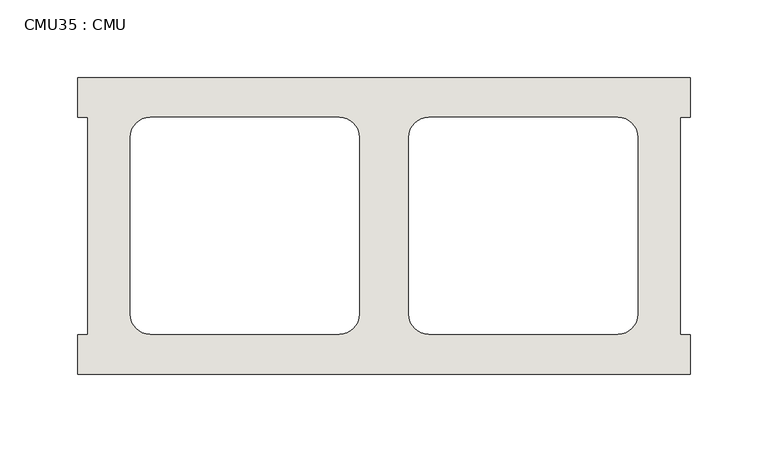
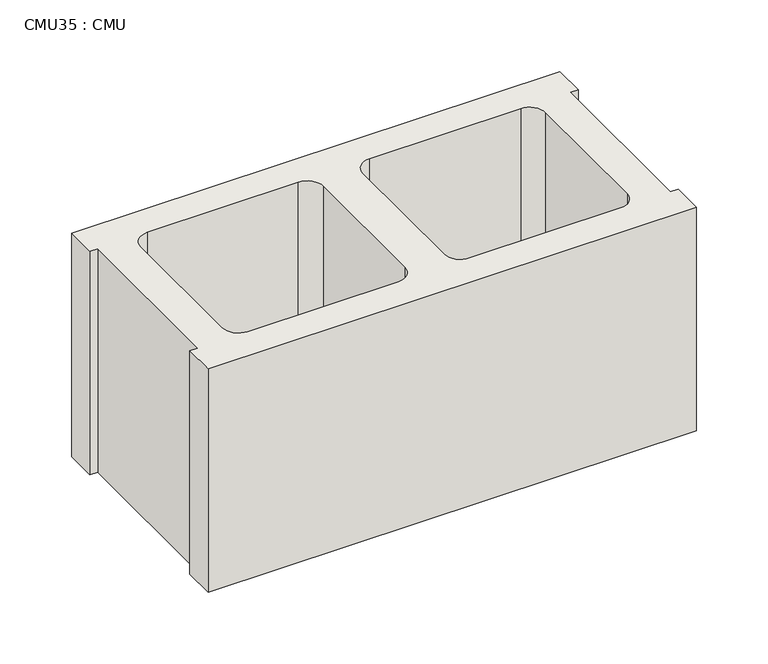
"""IFC4 building model written with IfcOpenShell, lengths in millimetres: wall geometry, CMU35 : CMU."""

from ifc_helpers import new_model, si_unit, point, frame, frame_2d, origin, place, context, project, spatial, polyline, circle_curve, trimmed, segment, composite_curve, outline, extrude, source, transform, mapped, element, save


def cmu35_cmu_49b5be0d(model_context):
    return source(origin(), model_context, "Body", "SweptSolid", [
        extrude(outline(polyline([(-457.4939032, 2871.3003704), (-63.7939032, 2871.3003704), (-63.7939032, 2845.9003704), (-70.1439032, 2845.9003704), (-70.1439032, 2706.2003704), (-63.7939032, 2706.2003704), (-63.7939032, 2680.8003704), (-457.4939032, 2680.8003704), (-457.4939032, 2706.2003704), (-451.1439032, 2706.2003704), (-451.1439032, 2845.9003704), (-457.4939032, 2845.9003704), (-457.4939032, 2871.3003704)]), holes=[composite_curve([segment(polyline([(-289.3259045, 2845.9003704), (-411.0425546, 2845.9003704)]), True, "CONTINUOUS"), segment(trimmed(circle_curve(frame_2d((-411.0425546, 2833.2003704)), 12.7), [point((-411.0425546, 2845.9003704))], [point((-423.7425546, 2833.2003704))], True, "CARTESIAN"), True, "CONTINUOUS"), segment(polyline([(-423.7425546, 2833.2003704), (-423.7425546, 2719.1345307)]), True, "CONTINUOUS"), segment(trimmed(circle_curve(frame_2d((-411.0425546, 2719.1345307)), 12.7), [point((-423.7425546, 2719.1345307))], [point((-411.0425546, 2706.4345307))], True, "CARTESIAN"), True, "CONTINUOUS"), segment(polyline([(-411.0425546, 2706.4345307), (-289.3259045, 2706.4345307)]), True, "CONTINUOUS"), segment(trimmed(circle_curve(frame_2d((-289.3259045, 2719.1345307)), 12.7), [point((-289.3259045, 2706.4345307))], [point((-276.6259045, 2719.1345307))], True, "CARTESIAN"), True, "CONTINUOUS"), segment(polyline([(-276.6259045, 2719.1345307), (-276.6259045, 2833.2003704)]), True, "CONTINUOUS"), segment(trimmed(circle_curve(frame_2d((-289.3259045, 2833.2003704)), 12.7), [point((-276.6259045, 2833.2003704))], [point((-289.3259045, 2845.9003704))], True, "CARTESIAN"), True, "CONTINUOUS")], self_intersect=False), composite_curve([segment(trimmed(circle_curve(frame_2d((-231.9619018, 2833.2003704)), 12.7), [point((-231.9619018, 2845.9003704))], [point((-244.6619018, 2833.2003704))], True, "CARTESIAN"), True, "CONTINUOUS"), segment(polyline([(-244.6619018, 2833.2003704), (-244.6619018, 2719.1345307)]), True, "CONTINUOUS"), segment(trimmed(circle_curve(frame_2d((-231.9619018, 2719.1345307)), 12.7), [point((-244.6619018, 2719.1345307))], [point((-231.9619018, 2706.4345307))], True, "CARTESIAN"), True, "CONTINUOUS"), segment(polyline([(-231.9619018, 2706.4345307), (-110.2452517, 2706.4345307)]), True, "CONTINUOUS"), segment(trimmed(circle_curve(frame_2d((-110.2452517, 2719.1345307)), 12.7), [point((-110.2452517, 2706.4345307))], [point((-97.5452517, 2719.1345307))], True, "CARTESIAN"), True, "CONTINUOUS"), segment(polyline([(-97.5452517, 2719.1345307), (-97.5452517, 2833.2003704)]), True, "CONTINUOUS"), segment(trimmed(circle_curve(frame_2d((-110.2452517, 2833.2003704)), 12.7), [point((-97.5452517, 2833.2003704))], [point((-110.2452517, 2845.9003704))], True, "CARTESIAN"), True, "CONTINUOUS"), segment(polyline([(-110.2452517, 2845.9003704), (-231.9619018, 2845.9003704)]), True, "CONTINUOUS")], self_intersect=False)]), frame((0.0, 0.0, 203.2), z_axis=(0.0, 0.0, 1.0), x_axis=(1.0, 0.0, 0.0)), (0.0, 0.0, 1.0), 190.5),
    ])


if __name__ == "__main__":
    model = new_model("IFC4")
    model_context = context("Model", 3, world=origin())
    ifc_project = project(units=[si_unit("LENGTHUNIT", "METRE", prefix="MILLI")], contexts=[model_context])
    site = spatial("IfcSite", under=ifc_project)
    building = spatial("IfcBuilding", under=site)
    placement = place(None, origin())
    cmu35_cmu_shape = cmu35_cmu_49b5be0d(model_context)
    element("IfcWall", 1, ObjectType="CMU35 : CMU", at=placement, inside=building, context=model_context, shape_type="MappedRepresentation", body=[
        mapped(cmu35_cmu_shape, transform((0.0, 0.0, 0.0), x_axis=(1.0, 0.0, 0.0), y_axis=(0.0, 1.0, 0.0), z_axis=(0.0, 0.0, 1.0))),
    ])
    save(model, "model.ifc")
